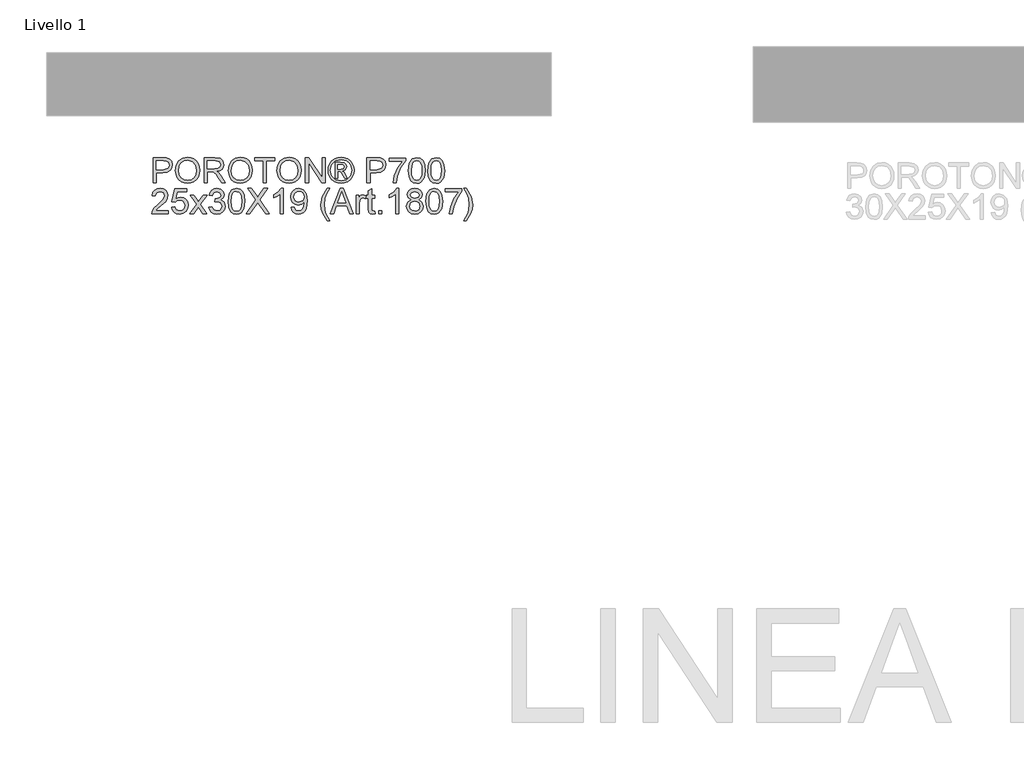
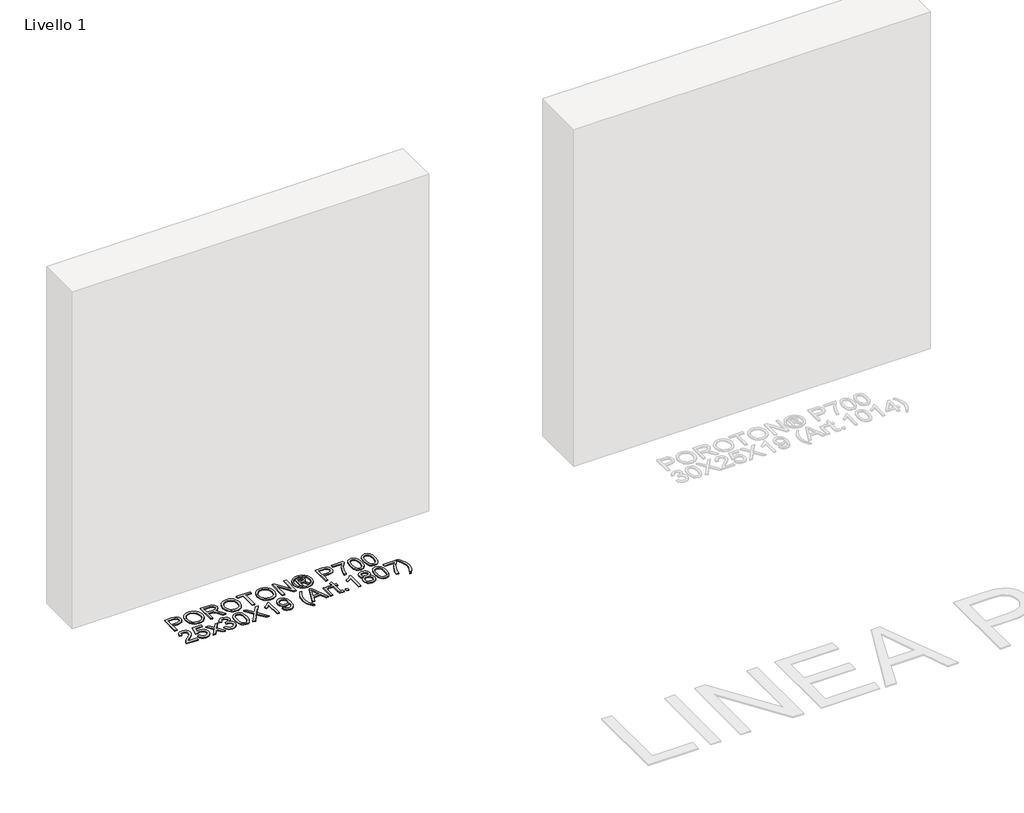
# One storey, part 2 of 5: 1 proxy.
"""IFC4 building model written with IfcOpenShell, lengths in millimetres."""

from ifc_helpers import new_model, si_unit, origin, origin_with_axes, place, context, project, spatial, polyline, outline, extrude, element, save

model = new_model("IFC4")

# Units and contexts
model_context = context("Model", 3, world=origin())
ifc_project = project(units=[si_unit("LENGTHUNIT", "METRE", prefix="MILLI")], contexts=[model_context])

# Site, building, storey
site = spatial("IfcSite", under=ifc_project)
building = spatial("IfcBuilding", under=site)
storey = spatial("IfcBuildingStorey", under=building, Name="Livello 1", Elevation=0.0)

# Proxy
placement = place(None, origin())
element("IfcBuildingElementProxy", 1, Name="100", ObjectType="100", at=placement, inside=storey, context=model_context, shape_type="SweptSolid", body=[
    extrude(outline(polyline([(-4955.203945, 176.3646101), (-4955.203945, 276.8209203), (-4917.9742871, 276.8209203), (-4902.9647017, 275.8644271), (-4890.7632822, 271.1678003), (-4882.8538193, 261.4557156), (-4879.8617124, 247.7582426), (-4881.8819977, 235.9185738), (-4887.9428536, 226.0532049), (-4899.2766847, 219.3945408), (-4917.1158958, 217.1749861), (-4942.6469063, 217.1749861), (-4942.6469063, 176.3646101), (-4955.203945, 176.3646101)]), holes=[polyline([(-4942.6469063, 229.7320249), (-4916.3801318, 229.7320249), (-4897.8879302, 234.3428126), (-4893.7860459, 239.8916993), (-4892.4187512, 247.3167843), (-4895.64385, 257.715582), (-4904.1173986, 263.4054902), (-4916.6744374, 264.2638815), (-4942.6469063, 264.2638815), (-4942.6469063, 229.7320249)])]), origin_with_axes(), (0.0, 0.0, 1.0), 5.0),
    extrude(outline(polyline([(-4867.3046737, 225.26839), (-4863.9569475, 247.4823312), (-4853.913769, 264.288407), (-4838.5792212, 274.8650143), (-4819.357387, 278.3905501), (-4806.1810802, 276.7350811), (-4794.3659368, 271.7686742), (-4784.5557502, 263.8408172), (-4777.394314, 253.300998), (-4773.0165183, 240.6581201), (-4771.5572531, 226.4210869), (-4773.0931604, 211.9939814), (-4777.7008824, 199.1732938), (-4785.1259673, 188.6150806), (-4795.1139635, 180.9753978), (-4806.8279393, 176.3400847), (-4819.4309634, 174.7949803), (-4832.8096052, 176.5025659), (-4844.6921937, 181.6253226), (-4854.4778548, 189.7003324), (-4861.5657145, 200.2646771), (-4867.3046737, 225.26839)]), holes=[polyline([(-4854.7476349, 225.1457627), (-4852.2368403, 209.4310701), (-4844.7044564, 197.4565112), (-4833.382888, 189.8781421), (-4819.5045398, 187.352019), (-4805.4238564, 189.9026675), (-4794.0838939, 197.554613), (-4786.6066923, 209.897054), (-4784.1142918, 226.5191888), (-4788.381723, 247.2432079), (-4800.8529226, 260.9652063), (-4819.2838106, 265.8335113), (-4832.7912111, 263.4882636), (-4844.2752608, 256.4525205), (-4852.1295414, 243.9353356), (-4854.7476349, 225.1457627)])]), origin_with_axes(), (0.0, 0.0, 1.0), 5.0),
    extrude(outline(polyline([(-4754.2913247, 176.3646101), (-4754.2913247, 276.8209203), (-4711.0038766, 276.8209203), (-4690.905257, 274.1108562), (-4679.9178481, 264.5213989), (-4675.8098324, 249.3278725), (-4677.5112867, 239.4318468), (-4682.6156494, 231.2280783), (-4691.2762047, 225.2132077), (-4703.6462367, 221.8838757), (-4696.509326, 216.5127985), (-4686.3312575, 203.5878778), (-4669.580364, 176.3646101), (-4684.1730165, 176.3646101), (-4697.24509, 197.186731), (-4706.6873946, 210.9700431), (-4713.3215332, 217.4815544), (-4719.2934843, 219.8727874), (-4726.5775478, 220.3142458), (-4741.734286, 220.3142458), (-4741.734286, 176.3646101), (-4754.2913247, 176.3646101)]), holes=[polyline([(-4741.734286, 232.8712846), (-4713.6281015, 232.8712846), (-4699.2929665, 234.6493809), (-4691.1505116, 240.3392891), (-4688.3668712, 248.8618886), (-4693.6766347, 259.922874), (-4710.4643164, 264.2638815), (-4741.734286, 264.2638815), (-4741.734286, 232.8712846)])]), origin_with_axes(), (0.0, 0.0, 1.0), 5.0),
    extrude(outline(polyline([(-4658.5439041, 225.26839), (-4655.196178, 247.4823312), (-4645.1529995, 264.288407), (-4629.8184517, 274.8650143), (-4610.5966174, 278.3905501), (-4597.4203106, 276.7350811), (-4585.6051672, 271.7686742), (-4575.7949807, 263.8408172), (-4568.6335445, 253.300998), (-4564.2557488, 240.6581201), (-4562.7964835, 226.4210869), (-4564.3323909, 211.9939814), (-4568.9401128, 199.1732938), (-4576.3651978, 188.6150806), (-4586.3531939, 180.9753978), (-4598.0671698, 176.3400847), (-4610.6701938, 174.7949803), (-4624.0488357, 176.5025659), (-4635.9314242, 181.6253226), (-4645.7170852, 189.7003324), (-4652.804945, 200.2646771), (-4658.5439041, 225.26839)]), holes=[polyline([(-4645.9868654, 225.1457627), (-4643.4760707, 209.4310701), (-4635.9436869, 197.4565112), (-4624.6221185, 189.8781421), (-4610.7437702, 187.352019), (-4596.6630869, 189.9026675), (-4585.3231244, 197.554613), (-4577.8459228, 209.897054), (-4575.3535223, 226.5191888), (-4579.6209534, 247.2432079), (-4592.0921531, 260.9652063), (-4610.523041, 265.8335113), (-4624.0304416, 263.4882636), (-4635.5144912, 256.4525205), (-4643.3687718, 243.9353356), (-4645.9868654, 225.1457627)])]), origin_with_axes(), (0.0, 0.0, 1.0), 5.0),
    extrude(outline(polyline([(-4520.4164777, 176.3646101), (-4520.4164777, 264.2638815), (-4553.3787044, 264.2638815), (-4553.3787044, 276.8209203), (-4474.8972121, 276.8209203), (-4474.8972121, 264.2638815), (-4507.8594389, 264.2638815), (-4507.8594389, 176.3646101), (-4520.4164777, 176.3646101)])), origin_with_axes(), (0.0, 0.0, 1.0), 5.0),
    extrude(outline(polyline([(-4465.4794331, 225.26839), (-4462.1317069, 247.4823312), (-4452.0885284, 264.288407), (-4436.7539806, 274.8650143), (-4417.5321464, 278.3905501), (-4404.3558396, 276.7350811), (-4392.5406962, 271.7686742), (-4382.7305096, 263.8408172), (-4375.5690734, 253.300998), (-4371.1912777, 240.6581201), (-4369.7320125, 226.4210869), (-4371.2679198, 211.9939814), (-4375.8756418, 199.1732938), (-4383.3007267, 188.6150806), (-4393.2887229, 180.9753978), (-4405.0026987, 176.3400847), (-4417.6057228, 174.7949803), (-4430.9843647, 176.5025659), (-4442.8669531, 181.6253226), (-4452.6526142, 189.7003324), (-4459.7404739, 200.2646771), (-4465.4794331, 225.26839)]), holes=[polyline([(-4452.9223943, 225.1457627), (-4450.4115997, 209.4310701), (-4442.8792158, 197.4565112), (-4431.5576474, 189.8781421), (-4417.6792992, 187.352019), (-4403.5986158, 189.9026675), (-4392.2586533, 197.554613), (-4384.7814517, 209.897054), (-4382.2890512, 226.5191888), (-4386.5564824, 247.2432079), (-4399.027682, 260.9652063), (-4417.45857, 265.8335113), (-4430.9659706, 263.4882636), (-4442.4500202, 256.4525205), (-4450.3043008, 243.9353356), (-4452.9223943, 225.1457627)])]), origin_with_axes(), (0.0, 0.0, 1.0), 5.0),
    extrude(outline(polyline([(-4352.4660841, 176.3646101), (-4352.4660841, 276.8209203), (-4339.0261286, 276.8209203), (-4286.5416306, 197.235782), (-4286.5416306, 276.8209203), (-4273.9845918, 276.8209203), (-4273.9845918, 176.3646101), (-4287.4245474, 176.3646101), (-4339.9090454, 255.9742739), (-4339.9090454, 176.3646101), (-4352.4660841, 176.3646101)])), origin_with_axes(), (0.0, 0.0, 1.0), 5.0),
    extrude(outline(polyline([(-4211.1748725, 278.3905501), (-4198.2806086, 276.716687), (-4185.692913, 271.6950978), (-4174.6349934, 263.5587743), (-4166.3300573, 252.5407086), (-4161.1337241, 239.8181229), (-4159.4016131, 226.5682397), (-4161.1091987, 213.4348525), (-4166.2319555, 200.8165001), (-4174.4357239, 189.8382882), (-4185.3863447, 181.6253226), (-4197.9955001, 176.5025659), (-4211.1748725, 174.7949803), (-4224.3358509, 176.5025659), (-4236.9388749, 181.6253226), (-4247.8986927, 189.8382882), (-4256.1300523, 200.8165001), (-4261.2804003, 213.4348525), (-4262.9971829, 226.5682397), (-4261.2558748, 239.8181229), (-4256.0319505, 252.5407086), (-4247.6994233, 263.5587743), (-4236.6323066, 271.6950978), (-4224.0507424, 276.716687), (-4211.1748725, 278.3905501)]), holes=[polyline([(-4211.1748725, 268.972771), (-4231.9969935, 263.4913293), (-4241.0254308, 256.8295995), (-4247.8527075, 247.8072936), (-4253.5794038, 226.5682397), (-4247.9630721, 205.5131269), (-4232.2422481, 189.8290911), (-4211.1748725, 184.2127593), (-4190.0952342, 189.8290911), (-4174.4111985, 205.5131269), (-4168.8193922, 226.5682397), (-4174.5093003, 247.8072936), (-4181.3181829, 256.8295995), (-4190.3650143, 263.4913293), (-4211.1748725, 268.972771)])]), origin_with_axes(), (0.0, 0.0, 1.0), 5.0),
    extrude(outline(polyline([(-4234.7438457, 195.2001683), (-4234.7438457, 257.9853621), (-4214.461285, 257.9853621), (-4199.4026487, 256.2563167), (-4191.9836951, 250.223052), (-4189.2245802, 241.0627903), (-4193.9825206, 229.1434137), (-4206.5886103, 223.4535055), (-4201.6835171, 220.1180421), (-4193.1241293, 207.5855288), (-4186.0853205, 195.2001683), (-4196.6803219, 195.2001683), (-4202.1985519, 205.1575076), (-4211.4446527, 219.5784818), (-4219.4644802, 221.8838757), (-4225.3260666, 221.8838757), (-4225.3260666, 195.2001683), (-4234.7438457, 195.2001683)]), holes=[polyline([(-4225.3260666, 231.3016547), (-4213.40669, 231.3016547), (-4201.7570935, 233.6928877), (-4198.6423592, 240.0327207), (-4200.1384127, 244.5944575), (-4204.2954792, 247.5865644), (-4214.1669794, 248.567583), (-4225.3260666, 248.567583), (-4225.3260666, 231.3016547)])]), origin_with_axes(), (0.0, 0.0, 1.0), 5.0),
    extrude(outline(polyline([(-4109.173458, 176.3646101), (-4109.173458, 276.8209203), (-4071.9438001, 276.8209203), (-4056.9342147, 275.8644271), (-4044.7327952, 271.1678003), (-4036.8233323, 261.4557156), (-4033.8312254, 247.7582426), (-4035.8515107, 235.9185738), (-4041.9123666, 226.0532049), (-4053.2461977, 219.3945408), (-4071.0854088, 217.1749861), (-4096.6164192, 217.1749861), (-4096.6164192, 176.3646101), (-4109.173458, 176.3646101)]), holes=[polyline([(-4096.6164192, 229.7320249), (-4070.3496448, 229.7320249), (-4051.8574432, 234.3428126), (-4047.7555589, 239.8916993), (-4046.3882642, 247.3167843), (-4049.613363, 257.715582), (-4058.0869116, 263.4054902), (-4070.6439504, 264.2638815), (-4096.6164192, 264.2638815), (-4096.6164192, 229.7320249)])]), origin_with_axes(), (0.0, 0.0, 1.0), 5.0),
    extrude(outline(polyline([(-4021.2741866, 262.6942517), (-4021.2741866, 275.2512904), (-3955.3497331, 275.2512904), (-3955.3497331, 265.0977474), (-3974.0504012, 238.0829462), (-3988.3610108, 203.6614542), (-3993.0208494, 176.3646101), (-4005.5778882, 176.3646101), (-4000.5869558, 204.6915237), (-3986.8894828, 236.7095201), (-3967.9067719, 262.6942517), (-4021.2741866, 262.6942517)])), origin_with_axes(), (0.0, 0.0, 1.0), 5.0),
    extrude(outline(polyline([(-3944.3623242, 225.7834248), (-3940.6712415, 254.6866869), (-3929.708358, 271.3517413), (-3911.4000974, 276.8209203), (-3896.7338685, 273.5835587), (-3886.6048509, 264.2516188), (-3880.718739, 249.3891862), (-3878.4378706, 225.7834248), (-3882.0921651, 197.00279), (-3893.0182604, 180.3009475), (-3901.24962, 176.1714721), (-3911.4000974, 174.7949803), (-3924.4476455, 177.1862132), (-3934.3559339, 184.3599121), (-3941.8607266, 201.349929), (-3944.3623242, 225.7834248)]), holes=[polyline([(-3931.8052854, 225.8079503), (-3930.3337574, 206.0557528), (-3925.9191735, 194.6238198), (-3919.3463485, 189.1699692), (-3911.4000974, 187.352019), (-3903.4538463, 189.1761006), (-3896.8810213, 194.6483453), (-3892.4664374, 206.0864096), (-3890.9949094, 225.8079503), (-3892.4173864, 245.1156236), (-3896.6848176, 256.6364615), (-3903.2453798, 262.3570265), (-3911.5472502, 264.2638815), (-3919.4076622, 262.5838871), (-3925.7229697, 257.5439037), (-3930.2847065, 245.305696), (-3931.8052854, 225.8079503)])]), origin_with_axes(), (0.0, 0.0, 1.0), 5.0),
    extrude(outline(polyline([(-3867.4504617, 225.7834248), (-3863.759379, 254.6866869), (-3852.7964956, 271.3517413), (-3834.4882349, 276.8209203), (-3819.8220061, 273.5835587), (-3809.6929885, 264.2516188), (-3803.8068765, 249.3891862), (-3801.5260082, 225.7834248), (-3805.1803027, 197.00279), (-3816.1063979, 180.3009475), (-3824.3377576, 176.1714721), (-3834.4882349, 174.7949803), (-3847.535783, 177.1862132), (-3857.4440714, 184.3599121), (-3864.9488641, 201.349929), (-3867.4504617, 225.7834248)]), holes=[polyline([(-3854.8934229, 225.8079503), (-3853.421895, 206.0557528), (-3849.007311, 194.6238198), (-3842.434486, 189.1699692), (-3834.4882349, 187.352019), (-3826.5419838, 189.1761006), (-3819.9691589, 194.6483453), (-3815.5545749, 206.0864096), (-3814.0830469, 225.8079503), (-3815.505524, 245.1156236), (-3819.7729551, 256.6364615), (-3826.3335174, 262.3570265), (-3834.6353877, 264.2638815), (-3842.4957997, 262.5838871), (-3848.8111073, 257.5439037), (-3853.372844, 245.305696), (-3854.8934229, 225.8079503)])]), origin_with_axes(), (0.0, 0.0, 1.0), 5.0),
    extrude(outline(polyline([(-4895.5580109, 66.946831), (-4895.5580109, 54.3897923), (-4961.4824644, 54.3897923), (-4960.1335638, 63.0472819), (-4952.5061437, 76.3768729), (-4936.7853198, 90.9327371), (-4915.1048076, 111.8529599), (-4909.6846795, 126.0777304), (-4914.7982392, 137.5924368), (-4928.1523557, 142.2890637), (-4942.0705578, 137.7028014), (-4947.3557958, 125.0231353), (-4959.9128346, 126.5927652), (-4956.8686111, 138.7390024), (-4950.286589, 147.6110899), (-4940.510125, 153.0373493), (-4927.8825755, 154.8461024), (-4915.1630556, 152.8350142), (-4905.4049856, 146.8017495), (-4899.196977, 137.7886406), (-4897.1276407, 126.8380199), (-4899.3594582, 114.9309059), (-4906.7784117, 102.6191218), (-4924.7678413, 85.4145072), (-4939.213341, 73.335715), (-4944.8787237, 66.946831), (-4895.5580109, 66.946831)])), origin_with_axes(), (0.0, 0.0, 1.0), 5.0),
    extrude(outline(polyline([(-4883.0009721, 81.0734997), (-4870.4439334, 82.6431295), (-4864.116363, 69.705946), (-4850.9952385, 65.3772012), (-4841.9943924, 66.8824517), (-4835.2498892, 71.3982032), (-4831.0376403, 78.4032895), (-4829.6335574, 87.3765445), (-4834.8942699, 102.288028), (-4841.5008174, 106.3899123), (-4850.7990348, 107.757207), (-4861.8232319, 105.5744405), (-4868.8743035, 99.9090578), (-4881.4313423, 101.4786877), (-4870.4439334, 153.2764726), (-4821.7854081, 153.2764726), (-4821.7854081, 140.7194338), (-4860.2903903, 140.7194338), (-4865.6614674, 113.0547078), (-4856.6912781, 118.4993613), (-4847.2918931, 120.3142458), (-4835.5595232, 118.0640343), (-4825.8198473, 111.3133997), (-4819.2623508, 101.0249665), (-4817.0765186, 88.1613594), (-4819.0446873, 75.6043207), (-4824.9491933, 64.8621664), (-4836.2554333, 55.8306634), (-4851.0442895, 52.8201624), (-4863.3775334, 54.7546086), (-4873.2030483, 60.5579471), (-4879.9383545, 69.5557275), (-4883.0009721, 81.0734997)])), origin_with_axes(), (0.0, 0.0, 1.0), 5.0),
    extrude(outline(polyline([(-4810.7979992, 54.3897923), (-4783.967139, 91.4722974), (-4809.2283694, 128.162395), (-4794.1206821, 128.162395), (-4781.9315253, 110.5040593), (-4776.2416171, 102.1654007), (-4771.3119984, 108.9834804), (-4757.4305844, 128.162395), (-4742.3228972, 128.162395), (-4768.8594518, 91.4722974), (-4743.3039158, 54.3897923), (-4758.4116031, 54.3897923), (-4773.7890705, 76.6834412), (-4776.6094991, 80.7546686), (-4795.6903119, 54.3897923), (-4810.7979992, 54.3897923)])), origin_with_axes(), (0.0, 0.0, 1.0), 5.0),
    extrude(outline(polyline([(-4735.4557666, 81.0734997), (-4722.8987278, 82.6431295), (-4715.9702836, 69.4239031), (-4703.0085746, 65.3772012), (-4694.4001359, 66.7690214), (-4687.7537346, 70.9444821), (-4682.0883518, 84.7277941), (-4687.7046836, 97.7140286), (-4701.978505, 102.8521138), (-4710.7831474, 101.4786877), (-4709.3851959, 114.0357264), (-4707.3741076, 113.8885736), (-4693.1248117, 117.4938172), (-4688.3791339, 122.0678167), (-4686.7972414, 128.579328), (-4691.3835036, 138.4017772), (-4703.2047783, 142.2890637), (-4715.1732059, 138.364989), (-4721.329098, 126.5927652), (-4733.8861367, 128.162395), (-4730.1889227, 139.4379782), (-4723.6099663, 147.8563445), (-4714.6091202, 153.0986629), (-4703.6462367, 154.8461024), (-4688.5017613, 151.4002744), (-4677.9067598, 141.9824953), (-4674.2402026, 129.315092), (-4677.7228188, 117.7390718), (-4688.0235147, 109.4249388), (-4674.3383045, 100.8410255), (-4669.5313131, 84.5070649), (-4671.9348088, 72.2688572), (-4679.1452959, 62.0417378), (-4690.0284716, 55.1255563), (-4703.450033, 52.8201624), (-4715.5901389, 54.7883311), (-4725.4739018, 60.6928371), (-4732.3471637, 69.7243401), (-4735.4557666, 81.0734997)])), origin_with_axes(), (0.0, 0.0, 1.0), 5.0),
    extrude(outline(polyline([(-4658.5439041, 103.808607), (-4654.8528214, 132.711869), (-4643.889938, 149.3769234), (-4625.5816774, 154.8461024), (-4610.9154485, 151.6087409), (-4600.7864309, 142.2768009), (-4594.900319, 127.4143683), (-4592.6194506, 103.808607), (-4596.2737451, 75.0279722), (-4607.1998403, 58.3261296), (-4615.4312, 54.1966542), (-4625.5816774, 52.8201624), (-4638.6292255, 55.2113954), (-4648.5375139, 62.3850943), (-4656.0423066, 79.3751111), (-4658.5439041, 103.808607)]), holes=[polyline([(-4645.9868654, 103.8331324), (-4644.5153374, 84.080935), (-4640.1007534, 72.649002), (-4633.5279285, 67.1951514), (-4625.5816774, 65.3772012), (-4617.6354263, 67.2012828), (-4611.0626013, 72.6735274), (-4606.6480173, 84.1115918), (-4605.1764894, 103.8331324), (-4606.5989664, 123.1408058), (-4610.8663976, 134.6616436), (-4617.4269598, 140.3822086), (-4625.7288302, 142.2890637), (-4633.5892421, 140.6090692), (-4639.9045497, 135.5690859), (-4644.4662865, 123.3308782), (-4645.9868654, 103.8331324)])]), origin_with_axes(), (0.0, 0.0, 1.0), 5.0),
    extrude(outline(polyline([(-4587.9105611, 54.3897923), (-4549.1848497, 109.1306332), (-4581.6320417, 154.8461024), (-4566.5734053, 154.8461024), (-4548.3019329, 129.1188882), (-4542.1460409, 119.0879725), (-4534.9355538, 129.2905665), (-4516.8602851, 154.8461024), (-4501.5809195, 154.8461024), (-4534.0281115, 108.9834804), (-4495.3024001, 54.3897923), (-4510.3610365, 54.3897923), (-4536.1618271, 90.7855843), (-4541.5329042, 98.339428), (-4547.4435416, 90.0498203), (-4572.6311955, 54.3897923), (-4587.9105611, 54.3897923)])), origin_with_axes(), (0.0, 0.0, 1.0), 5.0),
    extrude(outline(polyline([(-4440.3653555, 54.3897923), (-4452.9223943, 54.3897923), (-4452.9223943, 132.6750808), (-4464.8172455, 124.2015322), (-4478.0364718, 117.8616992), (-4478.0364718, 129.7320249), (-4459.6301093, 141.4797233), (-4448.4587594, 154.8461024), (-4440.3653555, 154.8461024), (-4440.3653555, 54.3897923)])), origin_with_axes(), (0.0, 0.0, 1.0), 5.0),
    extrude(outline(polyline([(-4408.9727586, 79.5038698), (-4396.4157198, 81.0734997), (-4390.7748626, 69.0928093), (-4380.0817593, 65.3772012), (-4369.9159535, 67.7684342), (-4363.0242974, 74.1573181), (-4358.9162818, 85.0711507), (-4357.1013973, 99.6392777), (-4357.1749737, 102.0918243), (-4367.2181522, 92.5759434), (-4380.9892015, 88.9216489), (-4392.4395286, 91.1534663), (-4401.970738, 97.8489186), (-4408.3994758, 108.1925341), (-4410.5423885, 121.3688409), (-4408.2952426, 134.9804747), (-4401.553805, 145.6490525), (-4391.4278531, 152.54684), (-4379.0271642, 154.8461024), (-4361.1358365, 149.5976526), (-4348.8240524, 134.6371182), (-4344.6179349, 106.5309337), (-4348.8117897, 76.0335163), (-4354.0265169, 66.0424545), (-4361.2829893, 58.7553253), (-4370.268507, 54.3039531), (-4380.6703704, 52.8201624), (-4391.4063933, 54.5706676), (-4399.9719125, 59.8221831), (-4405.9622576, 68.2436151), (-4408.9727586, 79.5038698)]), holes=[polyline([(-4357.1749737, 121.6631465), (-4358.5300057, 130.1734833), (-4362.5951017, 136.7217828), (-4368.904278, 140.8972434), (-4376.9915505, 142.2890637), (-4385.37926, 140.7899445), (-4392.0992378, 136.2925871), (-4396.5138217, 129.4101281), (-4397.9853497, 120.7557042), (-4396.5935295, 112.9964598), (-4392.4180688, 106.8375021), (-4385.8636379, 102.8183913), (-4377.334907, 101.4786877), (-4362.8526191, 106.8375021), (-4358.594385, 113.2233204), (-4357.1749737, 121.6631465)])]), origin_with_axes(), (0.0, 0.0, 1.0), 5.0),
    extrude(outline(polyline([(-4266.1364426, 26.136455), (-4283.9664566, 55.5915401), (-4289.4295043, 72.7716293), (-4291.2505201, 90.5648551), (-4285.8058666, 121.0990607), (-4266.1364426, 154.8461024), (-4256.7186635, 154.8461024), (-4268.4663619, 134.9559492), (-4275.5296962, 115.6789327), (-4278.6934814, 90.4912787), (-4273.1997769, 58.3016042), (-4256.7186635, 26.136455), (-4266.1364426, 26.136455)])), origin_with_axes(), (0.0, 0.0, 1.0), 5.0),
    extrude(outline(polyline([(-4254.2906424, 54.3897923), (-4214.1915049, 154.8461024), (-4203.4984016, 154.8461024), (-4163.3992641, 54.3897923), (-4176.6675414, 54.3897923), (-4188.1699851, 85.7823892), (-4229.5444468, 85.7823892), (-4241.0223651, 54.3897923), (-4254.2906424, 54.3897923)]), holes=[polyline([(-4224.9336592, 98.339428), (-4192.7562473, 98.339428), (-4201.8061444, 123.0365726), (-4208.8449532, 142.2890637), (-4215.0989471, 125.1948136), (-4224.9336592, 98.339428)])]), origin_with_axes(), (0.0, 0.0, 1.0), 5.0),
    extrude(outline(polyline([(-4151.5534638, 54.3897923), (-4151.5534638, 128.162395), (-4140.5660549, 128.162395), (-4140.5660549, 117.2485625), (-4132.7669566, 127.3040037), (-4124.9188074, 129.7320249), (-4112.3127177, 125.8570012), (-4116.5065724, 114.5998121), (-4125.3357403, 117.1749861), (-4132.4358628, 114.697914), (-4136.9608114, 107.8307834), (-4138.9964251, 93.1645546), (-4138.9964251, 54.3897923), (-4151.5534638, 54.3897923)])), origin_with_axes(), (0.0, 0.0, 1.0), 5.0),
    extrude(outline(polyline([(-4077.7808611, 64.8621664), (-4076.2112312, 54.0219103), (-4085.6044848, 52.8201624), (-4096.1259099, 54.9048271), (-4101.3743597, 60.3740061), (-4102.8949386, 74.623302), (-4102.8949386, 115.6053563), (-4112.3127177, 115.6053563), (-4112.3127177, 128.162395), (-4102.8949386, 128.162395), (-4102.8949386, 146.0905109), (-4090.3378998, 153.4726763), (-4090.3378998, 128.162395), (-4077.7808611, 128.162395), (-4077.7808611, 115.6053563), (-4090.3378998, 115.6053563), (-4090.3378998, 74.991184), (-4089.6757123, 68.5164609), (-4087.529734, 66.2233298), (-4083.2500401, 65.3772012), (-4077.7808611, 64.8621664)])), origin_with_axes(), (0.0, 0.0, 1.0), 5.0),
    extrude(outline(polyline([(-4062.0845626, 54.3897923), (-4062.0845626, 66.946831), (-4049.5275239, 66.946831), (-4049.5275239, 54.3897923), (-4062.0845626, 54.3897923)])), origin_with_axes(), (0.0, 0.0, 1.0), 5.0),
    extrude(outline(polyline([(-3982.0334405, 54.3897923), (-3994.5904792, 54.3897923), (-3994.5904792, 132.6750808), (-4006.4853304, 124.2015322), (-4019.7045568, 117.8616992), (-4019.7045568, 129.7320249), (-4001.2981943, 141.4797233), (-3990.1268444, 154.8461024), (-3982.0334405, 154.8461024), (-3982.0334405, 54.3897923)])), origin_with_axes(), (0.0, 0.0, 1.0), 5.0),
    extrude(outline(polyline([(-3933.9144755, 109.7192443), (-3945.3556056, 117.5183426), (-3949.0712137, 129.6584485), (-3947.0478627, 139.4747664), (-3940.9778098, 147.5865644), (-3931.5416366, 153.0312179), (-3919.4199249, 154.8461024), (-3907.2246368, 152.9882983), (-3897.6658362, 147.4148861), (-3891.4854187, 139.1743294), (-3889.4252796, 129.315092), (-3893.0918368, 117.4815544), (-3904.2141358, 109.7192443), (-3890.8600193, 99.8722696), (-3886.2860199, 83.6241482), (-3888.5546255, 71.6189324), (-3895.3604424, 61.6983812), (-3905.8696047, 55.0397171), (-3919.2482466, 52.8201624), (-3932.6268885, 55.0489142), (-3943.1360508, 61.7351694), (-3949.9418678, 71.7507568), (-3952.2104734, 83.9675047), (-3947.4525329, 100.5957709), (-3933.9144755, 109.7192443)]), holes=[polyline([(-3939.6534346, 84.4089631), (-3937.5565073, 74.9543958), (-3930.1375537, 67.8787988), (-3919.1501448, 65.3772012), (-3910.6030197, 66.6923793), (-3904.1896103, 70.6379137), (-3898.8430586, 84.0165556), (-3904.3612886, 97.6527149), (-3910.9218508, 101.6994169), (-3919.5670777, 103.0483175), (-3927.9946411, 101.717811), (-3934.3436712, 97.7262913), (-3939.6534346, 84.4089631)]), polyline([(-3936.5141749, 129.2905665), (-3932.0628028, 119.431329), (-3919.1010938, 115.6053563), (-3906.3969023, 119.4068036), (-3901.9823183, 128.7264808), (-3906.5440551, 138.3772518), (-3919.2482466, 142.2890637), (-3931.9892264, 138.4630909), (-3936.5141749, 129.2905665)])]), origin_with_axes(), (0.0, 0.0, 1.0), 5.0),
    extrude(outline(polyline([(-3875.2986109, 103.808607), (-3871.6075283, 132.711869), (-3860.6446448, 149.3769234), (-3842.3363842, 154.8461024), (-3827.6701553, 151.6087409), (-3817.5411377, 142.2768009), (-3811.6550258, 127.4143683), (-3809.3741574, 103.808607), (-3813.0284519, 75.0279722), (-3823.9545471, 58.3261296), (-3832.1859068, 54.1966542), (-3842.3363842, 52.8201624), (-3855.3839323, 55.2113954), (-3865.2922207, 62.3850943), (-3872.7970134, 79.3751111), (-3875.2986109, 103.808607)]), holes=[polyline([(-3862.7415722, 103.8331324), (-3861.2700442, 84.080935), (-3856.8554602, 72.649002), (-3850.2826353, 67.1951514), (-3842.3363842, 65.3772012), (-3834.3901331, 67.2012828), (-3827.8173081, 72.6735274), (-3823.4027241, 84.1115918), (-3821.9311962, 103.8331324), (-3823.3536732, 123.1408058), (-3827.6211044, 134.6616436), (-3834.1816666, 140.3822086), (-3842.483537, 142.2890637), (-3850.3439489, 140.6090692), (-3856.6592565, 135.5690859), (-3861.2209933, 123.3308782), (-3862.7415722, 103.8331324)])]), origin_with_axes(), (0.0, 0.0, 1.0), 5.0),
    extrude(outline(polyline([(-3798.3867485, 140.7194338), (-3798.3867485, 153.2764726), (-3732.4622949, 153.2764726), (-3732.4622949, 143.1229295), (-3751.162963, 116.1081283), (-3765.4735726, 81.6866363), (-3770.1334112, 54.3897923), (-3782.69045, 54.3897923), (-3777.6995176, 82.7167059), (-3764.0020447, 114.7347022), (-3745.0193337, 140.7194338), (-3798.3867485, 140.7194338)])), origin_with_axes(), (0.0, 0.0, 1.0), 5.0),
    extrude(outline(polyline([(-3715.1963666, 26.136455), (-3724.6141457, 26.136455), (-3708.1330323, 58.3016042), (-3702.6393279, 90.4912787), (-3705.803113, 115.4582035), (-3712.7928709, 134.7597455), (-3724.6141457, 154.8461024), (-3715.1963666, 154.8461024), (-3695.5269426, 121.0990607), (-3690.0822891, 90.5648551), (-3691.912502, 72.7716293), (-3697.4031408, 55.5915401), (-3715.1963666, 26.136455)])), origin_with_axes(), (0.0, 0.0, 1.0), 5.0),
])

save(model, "model.ifc")
